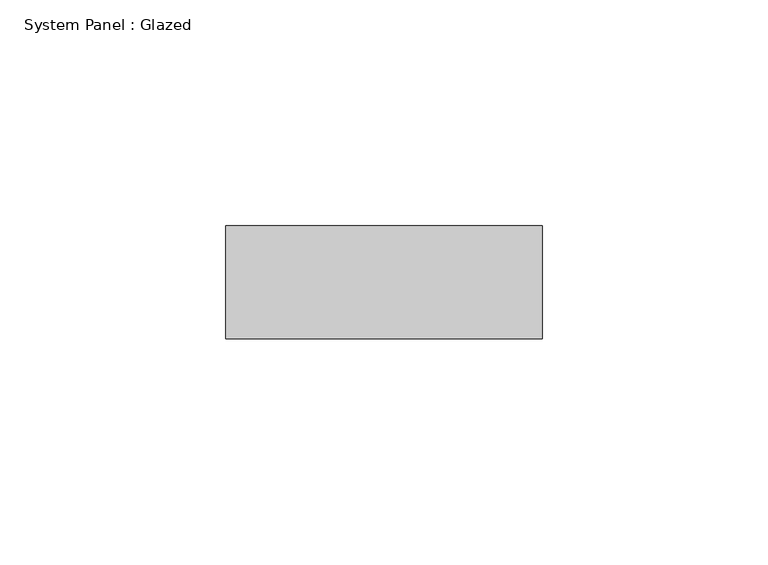
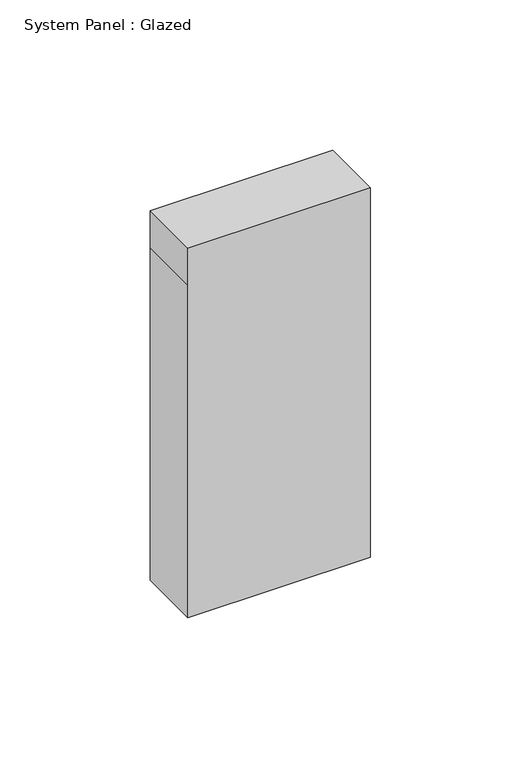
"""IFC4 building model written with IfcOpenShell, lengths in millimetres: plate geometry, System Panel : Glazed."""

from ifc_helpers import new_model, si_unit, frame, origin, place, context, project, spatial, polyline, outline, extrude, source, transform, mapped, element, save


def system_panel_glazed_f0ca0eae(model_context):
    return source(origin(), model_context, "Body", "SweptSolid", [
        extrude(outline(polyline([(0.0, -35.0), (0.0, 35.0), (135.0, 35.0), (150.0, 35.0), (150.0, -35.0), (135.0, -35.0), (0.0, -35.0)])), frame((0.0, -49.5, 0.0), z_axis=(0.0, 1.0, 0.0), x_axis=(0.0, 0.0, 1.0)), (0.0, 0.0, 1.0), 25.0),
    ])


if __name__ == "__main__":
    model = new_model("IFC4")
    model_context = context("Model", 3, world=origin())
    ifc_project = project(units=[si_unit("LENGTHUNIT", "METRE", prefix="MILLI")], contexts=[model_context])
    site = spatial("IfcSite", under=ifc_project)
    building = spatial("IfcBuilding", under=site)
    placement = place(None, origin())
    system_panel_glazed_shape = system_panel_glazed_f0ca0eae(model_context)
    element("IfcPlate", 1, ObjectType="System Panel : Glazed", at=placement, inside=building, context=model_context, shape_type="MappedRepresentation", body=[
        mapped(system_panel_glazed_shape, transform((0.0, 0.0, 0.0), x_axis=(1.0, 0.0, 0.0), y_axis=(0.0, 1.0, 0.0), z_axis=(0.0, 0.0, 1.0))),
    ])
    save(model, "model.ifc")
